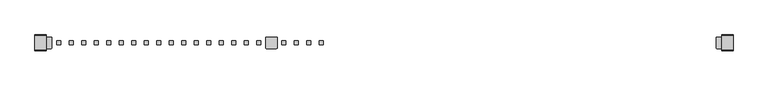
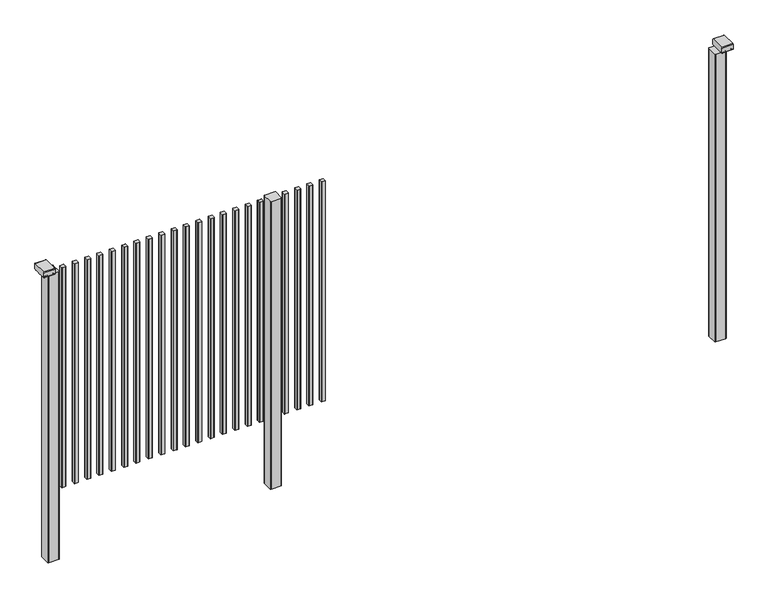
"""IFC4 building model written with IfcOpenShell, lengths in millimetres: railing geometry."""

import ifcopenshell
import ifcopenshell.guid

model = None  # the IFC model being written
_history = None  # IfcOwnerHistory: only IFC2X3 demands one
_inside = {}  # id of a spatial element -> (the spatial element, [elements in it])
_under = {}  # id of a project, library or spatial element -> (it, [spatial elements below it])
_declared = {}  # id of a project -> (the project, [libraries it declares])
_typed = {}  # id of a type object -> (the type object, [elements of that type])
_made_of = {}  # id of a material, layer set ... -> (it, [elements and type objects made of it])


def new_model(schema):
    """Start an empty IFC model of exactly this schema.

    Asked for "IFC4X3", IfcOpenShell would pick the latest addendum, in which some entities
    have other attributes; the version numbers below select the first issue.
    IFC2X3 requires an IfcOwnerHistory on every rooted entity: one is made here for all.
    """
    global model, _history
    if schema == "IFC4X3":
        model = ifcopenshell.file(schema_version=(4, 3, 0, 0))
    else:
        model = ifcopenshell.file(schema=schema)
    _inside.clear()
    _under.clear()
    _declared.clear()
    _typed.clear()
    _made_of.clear()
    _history = None
    if model.schema == "IFC2X3":
        org = make("IfcOrganization", Name="unknown")
        user = make(
            "IfcPersonAndOrganization",
            ThePerson=make("IfcPerson", FamilyName="unknown"),
            TheOrganization=org,
        )
        app = make(
            "IfcApplication",
            ApplicationDeveloper=org,
            Version="unknown",
            ApplicationFullName="unknown",
            ApplicationIdentifier="unknown",
        )
        _history = make(
            "IfcOwnerHistory",
            OwningUser=user,
            OwningApplication=app,
            ChangeAction="ADDED",
            CreationDate=0,
        )
    return model


def make(cls, **values):
    """One entity of the class cls with the attributes given. An attribute that is None is left unset."""
    return model.create_entity(
        cls, **{name: value for name, value in values.items() if value is not None}
    )


def rooted(cls, **values):
    """An entity with a GlobalId (a new one), such as an element, a storey or a relation."""
    return make(cls, GlobalId=ifcopenshell.guid.new(), OwnerHistory=_history, **values)


def si_unit(unit_type, name, prefix=None):
    """IfcSIUnit, for example si_unit("LENGTHUNIT", "METRE", prefix="MILLI")."""
    return make("IfcSIUnit", UnitType=unit_type, Prefix=prefix, Name=name)


def assignment(units):
    """IfcUnitAssignment: the units of a project."""
    return None if units is None else make("IfcUnitAssignment", Units=units)


def point(xyz):
    """IfcCartesianPoint."""
    return None if xyz is None else make("IfcCartesianPoint", Coordinates=xyz)


def direction(xyz):
    """IfcDirection."""
    return None if xyz is None else make("IfcDirection", DirectionRatios=xyz)


def frame(location, z_axis=None, x_axis=None):
    """IfcAxis2Placement3D, a coordinate frame: its origin and axes. An axis left out is left unset."""
    return make(
        "IfcAxis2Placement3D",
        Location=point(location),
        Axis=direction(z_axis),
        RefDirection=direction(x_axis),
    )


def frame_2d(location, x_axis=None):
    """IfcAxis2Placement2D, a coordinate frame in the plane: its origin and x axis."""
    return make(
        "IfcAxis2Placement2D", Location=point(location), RefDirection=direction(x_axis)
    )


def origin():
    """The frame at (0, 0, 0) with its axes left unset."""
    return frame((0.0, 0.0, 0.0))


def place(relative_to, where):
    """IfcLocalPlacement: puts the frame where relative to a parent placement (None: the world)."""
    return make(
        "IfcLocalPlacement", PlacementRelTo=relative_to, RelativePlacement=where
    )


def context(
    kind, dimensions, precision=None, world=None, true_north=None, identifier=None
):
    """IfcGeometricRepresentationContext, for example the 3D "Model" context."""
    return make(
        "IfcGeometricRepresentationContext",
        ContextIdentifier=identifier,
        ContextType=kind,
        CoordinateSpaceDimension=dimensions,
        Precision=precision,
        WorldCoordinateSystem=world,
        TrueNorth=true_north,
    )


def project(units=None, contexts=None):
    """IfcProject with its units and contexts."""
    return rooted(
        "IfcProject",
        Name="project",
        RepresentationContexts=contexts,
        UnitsInContext=assignment(units),
    )


def spatial(cls, under=None, at=None, **own):
    """A site, building, storey or space (cls), placed at a placement, below another one or the project."""
    s = rooted(cls, ObjectPlacement=at, **own)
    if under is not None:
        _under.setdefault(under.id(), (under, []))[1].append(s)
    return s


def polyline(points):
    """IfcPolyline through the points."""
    return make("IfcPolyline", Points=[point(p) for p in points])


def circle_curve(where, radius):
    """IfcCircle in the frame where."""
    return make("IfcCircle", Position=where, Radius=radius)


def trimmed(basis, trim1, trim2, sense, master):
    """IfcTrimmedCurve: the piece of a basis curve between two trims."""
    return make(
        "IfcTrimmedCurve",
        BasisCurve=basis,
        Trim1=trim1,
        Trim2=trim2,
        SenseAgreement=sense,
        MasterRepresentation=master,
    )


def segment(curve, same_sense, transition):
    """IfcCompositeCurveSegment."""
    return make(
        "IfcCompositeCurveSegment",
        Transition=transition,
        SameSense=same_sense,
        ParentCurve=curve,
    )


def composite_curve(segments, self_intersect=None):
    """IfcCompositeCurve: segments joined end to end."""
    return make("IfcCompositeCurve", Segments=segments, SelfIntersect=self_intersect)


def outline(outer, holes=None, kind="AREA"):
    """IfcArbitraryClosedProfileDef: a profile drawn as a closed curve; with holes, ...WithVoids."""
    if holes is None:
        return make("IfcArbitraryClosedProfileDef", ProfileType=kind, OuterCurve=outer)
    return make(
        "IfcArbitraryProfileDefWithVoids",
        ProfileType=kind,
        OuterCurve=outer,
        InnerCurves=holes,
    )


def extrude(swept, where, along, depth):
    """IfcExtrudedAreaSolid: the profile swept, set in the frame where, extruded along a direction by depth."""
    return make(
        "IfcExtrudedAreaSolid",
        SweptArea=swept,
        Position=where,
        ExtrudedDirection=direction(along),
        Depth=depth,
    )


def shape(context_of_items, identifier, shape_type, items):
    """IfcShapeRepresentation: the items that make up one representation, for example the "Body"."""
    return make(
        "IfcShapeRepresentation",
        ContextOfItems=context_of_items,
        RepresentationIdentifier=identifier,
        RepresentationType=shape_type,
        Items=items,
    )


def source(mapping_origin, context_of_items, identifier, shape_type, items):
    """IfcRepresentationMap: a shape defined once, which mapped items show again and again."""
    return make(
        "IfcRepresentationMap",
        MappingOrigin=mapping_origin,
        MappedRepresentation=shape(context_of_items, identifier, shape_type, items),
    )


def transform(
    local_origin,
    x_axis=None,
    y_axis=None,
    z_axis=None,
    scale=None,
    scale2=None,
    scale3=None,
    uniform=True,
):
    """IfcCartesianTransformationOperator3D, or its non-uniform kind. x_axis, y_axis, z_axis: its Axis1, 2, 3."""
    if uniform:
        return make(
            "IfcCartesianTransformationOperator3D",
            Axis1=direction(x_axis),
            Axis2=direction(y_axis),
            LocalOrigin=point(local_origin),
            Scale=scale,
            Axis3=direction(z_axis),
        )
    return make(
        "IfcCartesianTransformationOperator3DnonUniform",
        Axis1=direction(x_axis),
        Axis2=direction(y_axis),
        LocalOrigin=point(local_origin),
        Scale=scale,
        Axis3=direction(z_axis),
        Scale2=scale2,
        Scale3=scale3,
    )


def mapped(mapping_source, mapping_target):
    """IfcMappedItem: shows the shape of a source again, moved by a transform."""
    return make(
        "IfcMappedItem", MappingSource=mapping_source, MappingTarget=mapping_target
    )


def made_of(thing, what):
    """Note that an element or type object is made of a material, layer set ...; save() writes the relation."""
    if what is not None:
        _made_of.setdefault(what.id(), (what, []))[1].append(thing)
    return thing


def element(
    cls,
    number,
    at=None,
    inside=None,
    cuts=None,
    type_object=None,
    material=None,
    context=None,
    identifier="Body",
    shape_type=None,
    held_by="IfcProductDefinitionShape",
    body=None,
    shapes=None,
    **own,
):
    """One element of the class cls, such as IfcWall. Its Tag is "e" and its number.

    at: its placement. inside: the storey or other place that contains it. cuts: it is an
    opening in that element (IfcRelVoidsElement). A single representation is given by context,
    identifier, shape_type and body (its items); several are given by shapes. held_by: the class
    of the entity that holds the representations. save() writes the other relations.
    """
    e = rooted(cls, Tag="e%d" % number, ObjectPlacement=at, **own)
    if body is not None:
        shapes = [shape(context, identifier, shape_type, body)]
    if shapes is not None:
        e.Representation = make(held_by, Representations=shapes)
    if inside is not None:
        _inside.setdefault(inside.id(), (inside, []))[1].append(e)
    if cuts is not None:
        rooted(
            "IfcRelVoidsElement", RelatingBuildingElement=cuts, RelatedOpeningElement=e
        )
    if type_object is not None:
        _typed.setdefault(type_object.id(), (type_object, []))[1].append(e)
    return made_of(e, material)


def aggregate(whole, parts):
    """IfcRelAggregates: a whole, such as a stair, and the parts it consists of."""
    return rooted("IfcRelAggregates", RelatingObject=whole, RelatedObjects=parts)


def save(model, path):
    """Write the relations noted so far, then the file.

    IfcRelAggregates (storeys below a building ...), IfcRelContainedInSpatialStructure (elements
    in a storey), IfcRelDefinesByType, IfcRelAssociatesMaterial and IfcRelDeclares: one each for
    every whole, place, type object, material and project.
    """
    for whole, parts in _under.values():
        aggregate(whole, parts)
    for where, things in _inside.values():
        rooted(
            "IfcRelContainedInSpatialStructure",
            RelatedElements=things,
            RelatingStructure=where,
        )
    for kind, things in _typed.values():
        rooted("IfcRelDefinesByType", RelatedObjects=things, RelatingType=kind)
    for what, things in _made_of.values():
        rooted("IfcRelAssociatesMaterial", RelatedObjects=things, RelatingMaterial=what)
    for by, libraries in _declared.values():
        rooted("IfcRelDeclares", RelatingContext=by, RelatedDefinitions=libraries)
    model.write(path)


def railing_3bfff79e(model_context):
    return source(origin(), model_context, "Body", "SweptSolid", [
        extrude(outline(composite_curve([segment(trimmed(circle_curve(frame_2d((4926.0169133, 7868.4508236)), 1.4), [point((4924.6169133, 7868.4508236))], [point((4926.0169133, 7869.8508236))], False, "CARTESIAN"), True, "CONTINUOUS"), segment(polyline([(4926.0169133, 7869.8508236), (4941.2169163, 7869.8508236)]), True, "CONTINUOUS"), segment(trimmed(circle_curve(frame_2d((4941.2169163, 7868.4508236)), 1.4), [point((4941.2169163, 7869.8508236))], [point((4942.6169163, 7868.4508236))], False, "CARTESIAN"), True, "CONTINUOUS"), segment(polyline([(4942.6169163, 7868.4508236), (4942.6169163, 7853.2507846)]), True, "CONTINUOUS"), segment(trimmed(circle_curve(frame_2d((4941.2169163, 7853.2507846)), 1.4), [point((4942.6169163, 7853.2507846))], [point((4941.2169163, 7851.8507846))], False, "CARTESIAN"), True, "CONTINUOUS"), segment(polyline([(4941.2169163, 7851.8507846), (4926.0169133, 7851.8507846)]), True, "CONTINUOUS"), segment(trimmed(circle_curve(frame_2d((4926.0169133, 7853.2507846)), 1.4), [point((4926.0169133, 7851.8507846))], [point((4924.6169133, 7853.2507846))], False, "CARTESIAN"), True, "CONTINUOUS"), segment(polyline([(4924.6169133, 7853.2507846), (4924.6169133, 7868.4508236)]), True, "CONTINUOUS")], self_intersect=False)), frame((0.0, 0.0, 125.0), z_axis=(0.0, 0.0, 1.0), x_axis=(1.0, 0.0, 0.0)), (0.0, 0.0, 1.0), 1044.8785743),
        extrude(outline(composite_curve([segment(trimmed(circle_curve(frame_2d((4870.4613577, 7868.4508236)), 1.4), [point((4869.0613577, 7868.4508236))], [point((4870.4613577, 7869.8508236))], False, "CARTESIAN"), True, "CONTINUOUS"), segment(polyline([(4870.4613577, 7869.8508236), (4885.6613607, 7869.8508236)]), True, "CONTINUOUS"), segment(trimmed(circle_curve(frame_2d((4885.6613607, 7868.4508236)), 1.4), [point((4885.6613607, 7869.8508236))], [point((4887.0613607, 7868.4508236))], False, "CARTESIAN"), True, "CONTINUOUS"), segment(polyline([(4887.0613607, 7868.4508236), (4887.0613607, 7853.2507846)]), True, "CONTINUOUS"), segment(trimmed(circle_curve(frame_2d((4885.6613607, 7853.2507846)), 1.4), [point((4887.0613607, 7853.2507846))], [point((4885.6613607, 7851.8507846))], False, "CARTESIAN"), True, "CONTINUOUS"), segment(polyline([(4885.6613607, 7851.8507846), (4870.4613577, 7851.8507846)]), True, "CONTINUOUS"), segment(trimmed(circle_curve(frame_2d((4870.4613577, 7853.2507846)), 1.4), [point((4870.4613577, 7851.8507846))], [point((4869.0613577, 7853.2507846))], False, "CARTESIAN"), True, "CONTINUOUS"), segment(polyline([(4869.0613577, 7853.2507846), (4869.0613577, 7868.4508236)]), True, "CONTINUOUS")], self_intersect=False)), frame((0.0, 0.0, 125.0), z_axis=(0.0, 0.0, 1.0), x_axis=(1.0, 0.0, 0.0)), (0.0, 0.0, 1.0), 1044.8785743),
        extrude(outline(composite_curve([segment(trimmed(circle_curve(frame_2d((4814.9058021, 7868.4508236)), 1.4), [point((4813.5058021, 7868.4508236))], [point((4814.9058021, 7869.8508236))], False, "CARTESIAN"), True, "CONTINUOUS"), segment(polyline([(4814.9058021, 7869.8508236), (4830.1058051, 7869.8508236)]), True, "CONTINUOUS"), segment(trimmed(circle_curve(frame_2d((4830.1058051, 7868.4508236)), 1.4), [point((4830.1058051, 7869.8508236))], [point((4831.5058051, 7868.4508236))], False, "CARTESIAN"), True, "CONTINUOUS"), segment(polyline([(4831.5058051, 7868.4508236), (4831.5058051, 7853.2507846)]), True, "CONTINUOUS"), segment(trimmed(circle_curve(frame_2d((4830.1058051, 7853.2507846)), 1.4), [point((4831.5058051, 7853.2507846))], [point((4830.1058051, 7851.8507846))], False, "CARTESIAN"), True, "CONTINUOUS"), segment(polyline([(4830.1058051, 7851.8507846), (4814.9058021, 7851.8507846)]), True, "CONTINUOUS"), segment(trimmed(circle_curve(frame_2d((4814.9058021, 7853.2507846)), 1.4), [point((4814.9058021, 7851.8507846))], [point((4813.5058021, 7853.2507846))], False, "CARTESIAN"), True, "CONTINUOUS"), segment(polyline([(4813.5058021, 7853.2507846), (4813.5058021, 7868.4508236)]), True, "CONTINUOUS")], self_intersect=False)), frame((0.0, 0.0, 125.0), z_axis=(0.0, 0.0, 1.0), x_axis=(1.0, 0.0, 0.0)), (0.0, 0.0, 1.0), 1044.8785743),
        extrude(outline(composite_curve([segment(trimmed(circle_curve(frame_2d((4759.3502466, 7868.4508236)), 1.4), [point((4757.9502466, 7868.4508236))], [point((4759.3502466, 7869.8508236))], False, "CARTESIAN"), True, "CONTINUOUS"), segment(polyline([(4759.3502466, 7869.8508236), (4774.5502496, 7869.8508236)]), True, "CONTINUOUS"), segment(trimmed(circle_curve(frame_2d((4774.5502496, 7868.4508236)), 1.4), [point((4774.5502496, 7869.8508236))], [point((4775.9502496, 7868.4508236))], False, "CARTESIAN"), True, "CONTINUOUS"), segment(polyline([(4775.9502496, 7868.4508236), (4775.9502496, 7853.2507846)]), True, "CONTINUOUS"), segment(trimmed(circle_curve(frame_2d((4774.5502496, 7853.2507846)), 1.4), [point((4775.9502496, 7853.2507846))], [point((4774.5502496, 7851.8507846))], False, "CARTESIAN"), True, "CONTINUOUS"), segment(polyline([(4774.5502496, 7851.8507846), (4759.3502466, 7851.8507846)]), True, "CONTINUOUS"), segment(trimmed(circle_curve(frame_2d((4759.3502466, 7853.2507846)), 1.4), [point((4759.3502466, 7851.8507846))], [point((4757.9502466, 7853.2507846))], False, "CARTESIAN"), True, "CONTINUOUS"), segment(polyline([(4757.9502466, 7853.2507846), (4757.9502466, 7868.4508236)]), True, "CONTINUOUS")], self_intersect=False)), frame((0.0, 0.0, 125.0), z_axis=(0.0, 0.0, 1.0), x_axis=(1.0, 0.0, 0.0)), (0.0, 0.0, 1.0), 1044.8785743),
        extrude(outline(composite_curve([segment(trimmed(circle_curve(frame_2d((4733.7947043, 7883.2508153)), 3.0), [point((4733.794704, 7886.2508153))], [point((4736.7947043, 7883.2508156))], False, "CARTESIAN"), True, "CONTINUOUS"), segment(polyline([(4736.7947043, 7883.2508156), (4736.7947083, 7838.4507926)]), True, "CONTINUOUS"), segment(trimmed(circle_curve(frame_2d((4733.7947083, 7838.4507923)), 3.0), [point((4736.7947083, 7838.4507926))], [point((4733.7947086, 7835.4507923))], False, "CARTESIAN"), True, "CONTINUOUS"), segment(polyline([(4733.7947086, 7835.4507923), (4688.9946856, 7835.4507883)]), True, "CONTINUOUS"), segment(trimmed(circle_curve(frame_2d((4688.9946853, 7838.4507883)), 3.0), [point((4688.9946856, 7835.4507883))], [point((4685.9946853, 7838.450788))], False, "CARTESIAN"), True, "CONTINUOUS"), segment(polyline([(4685.9946853, 7838.450788), (4685.9946813, 7883.250811)]), True, "CONTINUOUS"), segment(trimmed(circle_curve(frame_2d((4688.9946813, 7883.2508113)), 3.0), [point((4685.9946813, 7883.250811))], [point((4688.994681, 7886.2508113))], False, "CARTESIAN"), True, "CONTINUOUS"), segment(polyline([(4688.994681, 7886.2508113), (4733.794704, 7886.2508153)]), True, "CONTINUOUS")], self_intersect=False)), frame((0.0, 0.0, -198.0), z_axis=(0.0, 0.0, 1.0), x_axis=(1.0, 0.0, 0.0)), (0.0, 0.0, 1.0), 1367.8785743),
        extrude(outline(composite_curve([segment(trimmed(circle_curve(frame_2d((4648.2391355, 7868.4508236)), 1.4), [point((4646.8391355, 7868.4508236))], [point((4648.2391355, 7869.8508236))], False, "CARTESIAN"), True, "CONTINUOUS"), segment(polyline([(4648.2391355, 7869.8508236), (4663.4391385, 7869.8508236)]), True, "CONTINUOUS"), segment(trimmed(circle_curve(frame_2d((4663.4391385, 7868.4508236)), 1.4), [point((4663.4391385, 7869.8508236))], [point((4664.8391385, 7868.4508236))], False, "CARTESIAN"), True, "CONTINUOUS"), segment(polyline([(4664.8391385, 7868.4508236), (4664.8391385, 7853.2507846)]), True, "CONTINUOUS"), segment(trimmed(circle_curve(frame_2d((4663.4391385, 7853.2507846)), 1.4), [point((4664.8391385, 7853.2507846))], [point((4663.4391385, 7851.8507846))], False, "CARTESIAN"), True, "CONTINUOUS"), segment(polyline([(4663.4391385, 7851.8507846), (4648.2391355, 7851.8507846)]), True, "CONTINUOUS"), segment(trimmed(circle_curve(frame_2d((4648.2391355, 7853.2507846)), 1.4), [point((4648.2391355, 7851.8507846))], [point((4646.8391355, 7853.2507846))], False, "CARTESIAN"), True, "CONTINUOUS"), segment(polyline([(4646.8391355, 7853.2507846), (4646.8391355, 7868.4508236)]), True, "CONTINUOUS")], self_intersect=False)), frame((0.0, 0.0, 125.0), z_axis=(0.0, 0.0, 1.0), x_axis=(1.0, 0.0, 0.0)), (0.0, 0.0, 1.0), 1044.8785743),
        extrude(outline(composite_curve([segment(trimmed(circle_curve(frame_2d((4592.6835799, 7868.4508236)), 1.4), [point((4591.2835799, 7868.4508236))], [point((4592.6835799, 7869.8508236))], False, "CARTESIAN"), True, "CONTINUOUS"), segment(polyline([(4592.6835799, 7869.8508236), (4607.8835829, 7869.8508236)]), True, "CONTINUOUS"), segment(trimmed(circle_curve(frame_2d((4607.8835829, 7868.4508236)), 1.4), [point((4607.8835829, 7869.8508236))], [point((4609.2835829, 7868.4508236))], False, "CARTESIAN"), True, "CONTINUOUS"), segment(polyline([(4609.2835829, 7868.4508236), (4609.2835829, 7853.2507846)]), True, "CONTINUOUS"), segment(trimmed(circle_curve(frame_2d((4607.8835829, 7853.2507846)), 1.4), [point((4609.2835829, 7853.2507846))], [point((4607.8835829, 7851.8507846))], False, "CARTESIAN"), True, "CONTINUOUS"), segment(polyline([(4607.8835829, 7851.8507846), (4592.6835799, 7851.8507846)]), True, "CONTINUOUS"), segment(trimmed(circle_curve(frame_2d((4592.6835799, 7853.2507846)), 1.4), [point((4592.6835799, 7851.8507846))], [point((4591.2835799, 7853.2507846))], False, "CARTESIAN"), True, "CONTINUOUS"), segment(polyline([(4591.2835799, 7853.2507846), (4591.2835799, 7868.4508236)]), True, "CONTINUOUS")], self_intersect=False)), frame((0.0, 0.0, 125.0), z_axis=(0.0, 0.0, 1.0), x_axis=(1.0, 0.0, 0.0)), (0.0, 0.0, 1.0), 1044.8785743),
        extrude(outline(composite_curve([segment(trimmed(circle_curve(frame_2d((4537.1280244, 7868.4508236)), 1.4), [point((4535.7280244, 7868.4508236))], [point((4537.1280244, 7869.8508236))], False, "CARTESIAN"), True, "CONTINUOUS"), segment(polyline([(4537.1280244, 7869.8508236), (4552.3280274, 7869.8508236)]), True, "CONTINUOUS"), segment(trimmed(circle_curve(frame_2d((4552.3280274, 7868.4508236)), 1.4), [point((4552.3280274, 7869.8508236))], [point((4553.7280274, 7868.4508236))], False, "CARTESIAN"), True, "CONTINUOUS"), segment(polyline([(4553.7280274, 7868.4508236), (4553.7280274, 7853.2507846)]), True, "CONTINUOUS"), segment(trimmed(circle_curve(frame_2d((4552.3280274, 7853.2507846)), 1.4), [point((4553.7280274, 7853.2507846))], [point((4552.3280274, 7851.8507846))], False, "CARTESIAN"), True, "CONTINUOUS"), segment(polyline([(4552.3280274, 7851.8507846), (4537.1280244, 7851.8507846)]), True, "CONTINUOUS"), segment(trimmed(circle_curve(frame_2d((4537.1280244, 7853.2507846)), 1.4), [point((4537.1280244, 7851.8507846))], [point((4535.7280244, 7853.2507846))], False, "CARTESIAN"), True, "CONTINUOUS"), segment(polyline([(4535.7280244, 7853.2507846), (4535.7280244, 7868.4508236)]), True, "CONTINUOUS")], self_intersect=False)), frame((0.0, 0.0, 125.0), z_axis=(0.0, 0.0, 1.0), x_axis=(1.0, 0.0, 0.0)), (0.0, 0.0, 1.0), 1044.8785743),
        extrude(outline(composite_curve([segment(trimmed(circle_curve(frame_2d((4481.5724688, 7868.4508236)), 1.4), [point((4480.1724688, 7868.4508236))], [point((4481.5724688, 7869.8508236))], False, "CARTESIAN"), True, "CONTINUOUS"), segment(polyline([(4481.5724688, 7869.8508236), (4496.7724718, 7869.8508236)]), True, "CONTINUOUS"), segment(trimmed(circle_curve(frame_2d((4496.7724718, 7868.4508236)), 1.4), [point((4496.7724718, 7869.8508236))], [point((4498.1724718, 7868.4508236))], False, "CARTESIAN"), True, "CONTINUOUS"), segment(polyline([(4498.1724718, 7868.4508236), (4498.1724718, 7853.2507846)]), True, "CONTINUOUS"), segment(trimmed(circle_curve(frame_2d((4496.7724718, 7853.2507846)), 1.4), [point((4498.1724718, 7853.2507846))], [point((4496.7724718, 7851.8507846))], False, "CARTESIAN"), True, "CONTINUOUS"), segment(polyline([(4496.7724718, 7851.8507846), (4481.5724688, 7851.8507846)]), True, "CONTINUOUS"), segment(trimmed(circle_curve(frame_2d((4481.5724688, 7853.2507846)), 1.4), [point((4481.5724688, 7851.8507846))], [point((4480.1724688, 7853.2507846))], False, "CARTESIAN"), True, "CONTINUOUS"), segment(polyline([(4480.1724688, 7853.2507846), (4480.1724688, 7868.4508236)]), True, "CONTINUOUS")], self_intersect=False)), frame((0.0, 0.0, 125.0), z_axis=(0.0, 0.0, 1.0), x_axis=(1.0, 0.0, 0.0)), (0.0, 0.0, 1.0), 1044.8785743),
        extrude(outline(composite_curve([segment(trimmed(circle_curve(frame_2d((4426.0169133, 7868.4508236)), 1.4), [point((4424.6169133, 7868.4508236))], [point((4426.0169133, 7869.8508236))], False, "CARTESIAN"), True, "CONTINUOUS"), segment(polyline([(4426.0169133, 7869.8508236), (4441.2169163, 7869.8508236)]), True, "CONTINUOUS"), segment(trimmed(circle_curve(frame_2d((4441.2169163, 7868.4508236)), 1.4), [point((4441.2169163, 7869.8508236))], [point((4442.6169163, 7868.4508236))], False, "CARTESIAN"), True, "CONTINUOUS"), segment(polyline([(4442.6169163, 7868.4508236), (4442.6169163, 7853.2507846)]), True, "CONTINUOUS"), segment(trimmed(circle_curve(frame_2d((4441.2169163, 7853.2507846)), 1.4), [point((4442.6169163, 7853.2507846))], [point((4441.2169163, 7851.8507846))], False, "CARTESIAN"), True, "CONTINUOUS"), segment(polyline([(4441.2169163, 7851.8507846), (4426.0169133, 7851.8507846)]), True, "CONTINUOUS"), segment(trimmed(circle_curve(frame_2d((4426.0169133, 7853.2507846)), 1.4), [point((4426.0169133, 7851.8507846))], [point((4424.6169133, 7853.2507846))], False, "CARTESIAN"), True, "CONTINUOUS"), segment(polyline([(4424.6169133, 7853.2507846), (4424.6169133, 7868.4508236)]), True, "CONTINUOUS")], self_intersect=False)), frame((0.0, 0.0, 125.0), z_axis=(0.0, 0.0, 1.0), x_axis=(1.0, 0.0, 0.0)), (0.0, 0.0, 1.0), 1044.8785743),
        extrude(outline(composite_curve([segment(trimmed(circle_curve(frame_2d((4370.4613577, 7868.4508236)), 1.4), [point((4369.0613577, 7868.4508236))], [point((4370.4613577, 7869.8508236))], False, "CARTESIAN"), True, "CONTINUOUS"), segment(polyline([(4370.4613577, 7869.8508236), (4385.6613607, 7869.8508236)]), True, "CONTINUOUS"), segment(trimmed(circle_curve(frame_2d((4385.6613607, 7868.4508236)), 1.4), [point((4385.6613607, 7869.8508236))], [point((4387.0613607, 7868.4508236))], False, "CARTESIAN"), True, "CONTINUOUS"), segment(polyline([(4387.0613607, 7868.4508236), (4387.0613607, 7853.2507846)]), True, "CONTINUOUS"), segment(trimmed(circle_curve(frame_2d((4385.6613607, 7853.2507846)), 1.4), [point((4387.0613607, 7853.2507846))], [point((4385.6613607, 7851.8507846))], False, "CARTESIAN"), True, "CONTINUOUS"), segment(polyline([(4385.6613607, 7851.8507846), (4370.4613577, 7851.8507846)]), True, "CONTINUOUS"), segment(trimmed(circle_curve(frame_2d((4370.4613577, 7853.2507846)), 1.4), [point((4370.4613577, 7851.8507846))], [point((4369.0613577, 7853.2507846))], False, "CARTESIAN"), True, "CONTINUOUS"), segment(polyline([(4369.0613577, 7853.2507846), (4369.0613577, 7868.4508236)]), True, "CONTINUOUS")], self_intersect=False)), frame((0.0, 0.0, 125.0), z_axis=(0.0, 0.0, 1.0), x_axis=(1.0, 0.0, 0.0)), (0.0, 0.0, 1.0), 1044.8785743),
        extrude(outline(composite_curve([segment(trimmed(circle_curve(frame_2d((4314.9058021, 7868.4508236)), 1.4), [point((4313.5058021, 7868.4508236))], [point((4314.9058021, 7869.8508236))], False, "CARTESIAN"), True, "CONTINUOUS"), segment(polyline([(4314.9058021, 7869.8508236), (4330.1058051, 7869.8508236)]), True, "CONTINUOUS"), segment(trimmed(circle_curve(frame_2d((4330.1058051, 7868.4508236)), 1.4), [point((4330.1058051, 7869.8508236))], [point((4331.5058051, 7868.4508236))], False, "CARTESIAN"), True, "CONTINUOUS"), segment(polyline([(4331.5058051, 7868.4508236), (4331.5058051, 7853.2507846)]), True, "CONTINUOUS"), segment(trimmed(circle_curve(frame_2d((4330.1058051, 7853.2507846)), 1.4), [point((4331.5058051, 7853.2507846))], [point((4330.1058051, 7851.8507846))], False, "CARTESIAN"), True, "CONTINUOUS"), segment(polyline([(4330.1058051, 7851.8507846), (4314.9058021, 7851.8507846)]), True, "CONTINUOUS"), segment(trimmed(circle_curve(frame_2d((4314.9058021, 7853.2507846)), 1.4), [point((4314.9058021, 7851.8507846))], [point((4313.5058021, 7853.2507846))], False, "CARTESIAN"), True, "CONTINUOUS"), segment(polyline([(4313.5058021, 7853.2507846), (4313.5058021, 7868.4508236)]), True, "CONTINUOUS")], self_intersect=False)), frame((0.0, 0.0, 125.0), z_axis=(0.0, 0.0, 1.0), x_axis=(1.0, 0.0, 0.0)), (0.0, 0.0, 1.0), 1044.8785743),
        extrude(outline(composite_curve([segment(trimmed(circle_curve(frame_2d((4259.3502466, 7868.4508236)), 1.4), [point((4257.9502466, 7868.4508236))], [point((4259.3502466, 7869.8508236))], False, "CARTESIAN"), True, "CONTINUOUS"), segment(polyline([(4259.3502466, 7869.8508236), (4274.5502496, 7869.8508236)]), True, "CONTINUOUS"), segment(trimmed(circle_curve(frame_2d((4274.5502496, 7868.4508236)), 1.4), [point((4274.5502496, 7869.8508236))], [point((4275.9502496, 7868.4508236))], False, "CARTESIAN"), True, "CONTINUOUS"), segment(polyline([(4275.9502496, 7868.4508236), (4275.9502496, 7853.2507846)]), True, "CONTINUOUS"), segment(trimmed(circle_curve(frame_2d((4274.5502496, 7853.2507846)), 1.4), [point((4275.9502496, 7853.2507846))], [point((4274.5502496, 7851.8507846))], False, "CARTESIAN"), True, "CONTINUOUS"), segment(polyline([(4274.5502496, 7851.8507846), (4259.3502466, 7851.8507846)]), True, "CONTINUOUS"), segment(trimmed(circle_curve(frame_2d((4259.3502466, 7853.2507846)), 1.4), [point((4259.3502466, 7851.8507846))], [point((4257.9502466, 7853.2507846))], False, "CARTESIAN"), True, "CONTINUOUS"), segment(polyline([(4257.9502466, 7853.2507846), (4257.9502466, 7868.4508236)]), True, "CONTINUOUS")], self_intersect=False)), frame((0.0, 0.0, 125.0), z_axis=(0.0, 0.0, 1.0), x_axis=(1.0, 0.0, 0.0)), (0.0, 0.0, 1.0), 1044.8785743),
        extrude(outline(composite_curve([segment(trimmed(circle_curve(frame_2d((4203.794691, 7868.4508236)), 1.4), [point((4202.394691, 7868.4508236))], [point((4203.794691, 7869.8508236))], False, "CARTESIAN"), True, "CONTINUOUS"), segment(polyline([(4203.794691, 7869.8508236), (4218.994694, 7869.8508236)]), True, "CONTINUOUS"), segment(trimmed(circle_curve(frame_2d((4218.994694, 7868.4508236)), 1.4), [point((4218.994694, 7869.8508236))], [point((4220.394694, 7868.4508236))], False, "CARTESIAN"), True, "CONTINUOUS"), segment(polyline([(4220.394694, 7868.4508236), (4220.394694, 7853.2507846)]), True, "CONTINUOUS"), segment(trimmed(circle_curve(frame_2d((4218.994694, 7853.2507846)), 1.4), [point((4220.394694, 7853.2507846))], [point((4218.994694, 7851.8507846))], False, "CARTESIAN"), True, "CONTINUOUS"), segment(polyline([(4218.994694, 7851.8507846), (4203.794691, 7851.8507846)]), True, "CONTINUOUS"), segment(trimmed(circle_curve(frame_2d((4203.794691, 7853.2507846)), 1.4), [point((4203.794691, 7851.8507846))], [point((4202.394691, 7853.2507846))], False, "CARTESIAN"), True, "CONTINUOUS"), segment(polyline([(4202.394691, 7853.2507846), (4202.394691, 7868.4508236)]), True, "CONTINUOUS")], self_intersect=False)), frame((0.0, 0.0, 125.0), z_axis=(0.0, 0.0, 1.0), x_axis=(1.0, 0.0, 0.0)), (0.0, 0.0, 1.0), 1044.8785743),
        extrude(outline(composite_curve([segment(trimmed(circle_curve(frame_2d((4148.2391355, 7868.4508236)), 1.4), [point((4146.8391355, 7868.4508236))], [point((4148.2391355, 7869.8508236))], False, "CARTESIAN"), True, "CONTINUOUS"), segment(polyline([(4148.2391355, 7869.8508236), (4163.4391385, 7869.8508236)]), True, "CONTINUOUS"), segment(trimmed(circle_curve(frame_2d((4163.4391385, 7868.4508236)), 1.4), [point((4163.4391385, 7869.8508236))], [point((4164.8391385, 7868.4508236))], False, "CARTESIAN"), True, "CONTINUOUS"), segment(polyline([(4164.8391385, 7868.4508236), (4164.8391385, 7853.2507846)]), True, "CONTINUOUS"), segment(trimmed(circle_curve(frame_2d((4163.4391385, 7853.2507846)), 1.4), [point((4164.8391385, 7853.2507846))], [point((4163.4391385, 7851.8507846))], False, "CARTESIAN"), True, "CONTINUOUS"), segment(polyline([(4163.4391385, 7851.8507846), (4148.2391355, 7851.8507846)]), True, "CONTINUOUS"), segment(trimmed(circle_curve(frame_2d((4148.2391355, 7853.2507846)), 1.4), [point((4148.2391355, 7851.8507846))], [point((4146.8391355, 7853.2507846))], False, "CARTESIAN"), True, "CONTINUOUS"), segment(polyline([(4146.8391355, 7853.2507846), (4146.8391355, 7868.4508236)]), True, "CONTINUOUS")], self_intersect=False)), frame((0.0, 0.0, 125.0), z_axis=(0.0, 0.0, 1.0), x_axis=(1.0, 0.0, 0.0)), (0.0, 0.0, 1.0), 1044.8785743),
        extrude(outline(composite_curve([segment(trimmed(circle_curve(frame_2d((4092.6835799, 7868.4508236)), 1.4), [point((4091.2835799, 7868.4508236))], [point((4092.6835799, 7869.8508236))], False, "CARTESIAN"), True, "CONTINUOUS"), segment(polyline([(4092.6835799, 7869.8508236), (4107.8835829, 7869.8508236)]), True, "CONTINUOUS"), segment(trimmed(circle_curve(frame_2d((4107.8835829, 7868.4508236)), 1.4), [point((4107.8835829, 7869.8508236))], [point((4109.2835829, 7868.4508236))], False, "CARTESIAN"), True, "CONTINUOUS"), segment(polyline([(4109.2835829, 7868.4508236), (4109.2835829, 7853.2507846)]), True, "CONTINUOUS"), segment(trimmed(circle_curve(frame_2d((4107.8835829, 7853.2507846)), 1.4), [point((4109.2835829, 7853.2507846))], [point((4107.8835829, 7851.8507846))], False, "CARTESIAN"), True, "CONTINUOUS"), segment(polyline([(4107.8835829, 7851.8507846), (4092.6835799, 7851.8507846)]), True, "CONTINUOUS"), segment(trimmed(circle_curve(frame_2d((4092.6835799, 7853.2507846)), 1.4), [point((4092.6835799, 7851.8507846))], [point((4091.2835799, 7853.2507846))], False, "CARTESIAN"), True, "CONTINUOUS"), segment(polyline([(4091.2835799, 7853.2507846), (4091.2835799, 7868.4508236)]), True, "CONTINUOUS")], self_intersect=False)), frame((0.0, 0.0, 125.0), z_axis=(0.0, 0.0, 1.0), x_axis=(1.0, 0.0, 0.0)), (0.0, 0.0, 1.0), 1044.8785743),
        extrude(outline(composite_curve([segment(trimmed(circle_curve(frame_2d((4037.1280244, 7868.4508236)), 1.4), [point((4035.7280244, 7868.4508236))], [point((4037.1280244, 7869.8508236))], False, "CARTESIAN"), True, "CONTINUOUS"), segment(polyline([(4037.1280244, 7869.8508236), (4052.3280274, 7869.8508236)]), True, "CONTINUOUS"), segment(trimmed(circle_curve(frame_2d((4052.3280274, 7868.4508236)), 1.4), [point((4052.3280274, 7869.8508236))], [point((4053.7280274, 7868.4508236))], False, "CARTESIAN"), True, "CONTINUOUS"), segment(polyline([(4053.7280274, 7868.4508236), (4053.7280274, 7853.2507846)]), True, "CONTINUOUS"), segment(trimmed(circle_curve(frame_2d((4052.3280274, 7853.2507846)), 1.4), [point((4053.7280274, 7853.2507846))], [point((4052.3280274, 7851.8507846))], False, "CARTESIAN"), True, "CONTINUOUS"), segment(polyline([(4052.3280274, 7851.8507846), (4037.1280244, 7851.8507846)]), True, "CONTINUOUS"), segment(trimmed(circle_curve(frame_2d((4037.1280244, 7853.2507846)), 1.4), [point((4037.1280244, 7851.8507846))], [point((4035.7280244, 7853.2507846))], False, "CARTESIAN"), True, "CONTINUOUS"), segment(polyline([(4035.7280244, 7853.2507846), (4035.7280244, 7868.4508236)]), True, "CONTINUOUS")], self_intersect=False)), frame((0.0, 0.0, 125.0), z_axis=(0.0, 0.0, 1.0), x_axis=(1.0, 0.0, 0.0)), (0.0, 0.0, 1.0), 1044.8785743),
        extrude(outline(composite_curve([segment(trimmed(circle_curve(frame_2d((3981.5724688, 7868.4508236)), 1.4), [point((3980.1724688, 7868.4508236))], [point((3981.5724688, 7869.8508236))], False, "CARTESIAN"), True, "CONTINUOUS"), segment(polyline([(3981.5724688, 7869.8508236), (3996.7724718, 7869.8508236)]), True, "CONTINUOUS"), segment(trimmed(circle_curve(frame_2d((3996.7724718, 7868.4508236)), 1.4), [point((3996.7724718, 7869.8508236))], [point((3998.1724718, 7868.4508236))], False, "CARTESIAN"), True, "CONTINUOUS"), segment(polyline([(3998.1724718, 7868.4508236), (3998.1724718, 7853.2507846)]), True, "CONTINUOUS"), segment(trimmed(circle_curve(frame_2d((3996.7724718, 7853.2507846)), 1.4), [point((3998.1724718, 7853.2507846))], [point((3996.7724718, 7851.8507846))], False, "CARTESIAN"), True, "CONTINUOUS"), segment(polyline([(3996.7724718, 7851.8507846), (3981.5724688, 7851.8507846)]), True, "CONTINUOUS"), segment(trimmed(circle_curve(frame_2d((3981.5724688, 7853.2507846)), 1.4), [point((3981.5724688, 7851.8507846))], [point((3980.1724688, 7853.2507846))], False, "CARTESIAN"), True, "CONTINUOUS"), segment(polyline([(3980.1724688, 7853.2507846), (3980.1724688, 7868.4508236)]), True, "CONTINUOUS")], self_intersect=False)), frame((0.0, 0.0, 125.0), z_axis=(0.0, 0.0, 1.0), x_axis=(1.0, 0.0, 0.0)), (0.0, 0.0, 1.0), 1044.8785743),
        extrude(outline(composite_curve([segment(trimmed(circle_curve(frame_2d((3926.0169133, 7868.4508236)), 1.4), [point((3924.6169133, 7868.4508236))], [point((3926.0169133, 7869.8508236))], False, "CARTESIAN"), True, "CONTINUOUS"), segment(polyline([(3926.0169133, 7869.8508236), (3941.2169163, 7869.8508236)]), True, "CONTINUOUS"), segment(trimmed(circle_curve(frame_2d((3941.2169163, 7868.4508236)), 1.4), [point((3941.2169163, 7869.8508236))], [point((3942.6169163, 7868.4508236))], False, "CARTESIAN"), True, "CONTINUOUS"), segment(polyline([(3942.6169163, 7868.4508236), (3942.6169163, 7853.2507846)]), True, "CONTINUOUS"), segment(trimmed(circle_curve(frame_2d((3941.2169163, 7853.2507846)), 1.4), [point((3942.6169163, 7853.2507846))], [point((3941.2169163, 7851.8507846))], False, "CARTESIAN"), True, "CONTINUOUS"), segment(polyline([(3941.2169163, 7851.8507846), (3926.0169133, 7851.8507846)]), True, "CONTINUOUS"), segment(trimmed(circle_curve(frame_2d((3926.0169133, 7853.2507846)), 1.4), [point((3926.0169133, 7851.8507846))], [point((3924.6169133, 7853.2507846))], False, "CARTESIAN"), True, "CONTINUOUS"), segment(polyline([(3924.6169133, 7853.2507846), (3924.6169133, 7868.4508236)]), True, "CONTINUOUS")], self_intersect=False)), frame((0.0, 0.0, 125.0), z_axis=(0.0, 0.0, 1.0), x_axis=(1.0, 0.0, 0.0)), (0.0, 0.0, 1.0), 1044.8785743),
        extrude(outline(composite_curve([segment(trimmed(circle_curve(frame_2d((3870.4613577, 7868.4508236)), 1.4), [point((3869.0613577, 7868.4508236))], [point((3870.4613577, 7869.8508236))], False, "CARTESIAN"), True, "CONTINUOUS"), segment(polyline([(3870.4613577, 7869.8508236), (3885.6613607, 7869.8508236)]), True, "CONTINUOUS"), segment(trimmed(circle_curve(frame_2d((3885.6613607, 7868.4508236)), 1.4), [point((3885.6613607, 7869.8508236))], [point((3887.0613607, 7868.4508236))], False, "CARTESIAN"), True, "CONTINUOUS"), segment(polyline([(3887.0613607, 7868.4508236), (3887.0613607, 7853.2507846)]), True, "CONTINUOUS"), segment(trimmed(circle_curve(frame_2d((3885.6613607, 7853.2507846)), 1.4), [point((3887.0613607, 7853.2507846))], [point((3885.6613607, 7851.8507846))], False, "CARTESIAN"), True, "CONTINUOUS"), segment(polyline([(3885.6613607, 7851.8507846), (3870.4613577, 7851.8507846)]), True, "CONTINUOUS"), segment(trimmed(circle_curve(frame_2d((3870.4613577, 7853.2507846)), 1.4), [point((3870.4613577, 7851.8507846))], [point((3869.0613577, 7853.2507846))], False, "CARTESIAN"), True, "CONTINUOUS"), segment(polyline([(3869.0613577, 7853.2507846), (3869.0613577, 7868.4508236)]), True, "CONTINUOUS")], self_intersect=False)), frame((0.0, 0.0, 125.0), z_axis=(0.0, 0.0, 1.0), x_axis=(1.0, 0.0, 0.0)), (0.0, 0.0, 1.0), 1044.8785743),
        extrude(outline(composite_curve([segment(trimmed(circle_curve(frame_2d((3814.9058021, 7868.4508236)), 1.4), [point((3813.5058021, 7868.4508236))], [point((3814.9058021, 7869.8508236))], False, "CARTESIAN"), True, "CONTINUOUS"), segment(polyline([(3814.9058021, 7869.8508236), (3830.1058051, 7869.8508236)]), True, "CONTINUOUS"), segment(trimmed(circle_curve(frame_2d((3830.1058051, 7868.4508236)), 1.4), [point((3830.1058051, 7869.8508236))], [point((3831.5058051, 7868.4508236))], False, "CARTESIAN"), True, "CONTINUOUS"), segment(polyline([(3831.5058051, 7868.4508236), (3831.5058051, 7853.2507846)]), True, "CONTINUOUS"), segment(trimmed(circle_curve(frame_2d((3830.1058051, 7853.2507846)), 1.4), [point((3831.5058051, 7853.2507846))], [point((3830.1058051, 7851.8507846))], False, "CARTESIAN"), True, "CONTINUOUS"), segment(polyline([(3830.1058051, 7851.8507846), (3814.9058021, 7851.8507846)]), True, "CONTINUOUS"), segment(trimmed(circle_curve(frame_2d((3814.9058021, 7853.2507846)), 1.4), [point((3814.9058021, 7851.8507846))], [point((3813.5058021, 7853.2507846))], False, "CARTESIAN"), True, "CONTINUOUS"), segment(polyline([(3813.5058021, 7853.2507846), (3813.5058021, 7868.4508236)]), True, "CONTINUOUS")], self_intersect=False)), frame((0.0, 0.0, 125.0), z_axis=(0.0, 0.0, 1.0), x_axis=(1.0, 0.0, 0.0)), (0.0, 0.0, 1.0), 1044.8785743),
        extrude(outline(composite_curve([segment(trimmed(circle_curve(frame_2d((3759.3502466, 7868.4508236)), 1.4), [point((3757.9502466, 7868.4508236))], [point((3759.3502466, 7869.8508236))], False, "CARTESIAN"), True, "CONTINUOUS"), segment(polyline([(3759.3502466, 7869.8508236), (3774.5502496, 7869.8508236)]), True, "CONTINUOUS"), segment(trimmed(circle_curve(frame_2d((3774.5502496, 7868.4508236)), 1.4), [point((3774.5502496, 7869.8508236))], [point((3775.9502496, 7868.4508236))], False, "CARTESIAN"), True, "CONTINUOUS"), segment(polyline([(3775.9502496, 7868.4508236), (3775.9502496, 7853.2507846)]), True, "CONTINUOUS"), segment(trimmed(circle_curve(frame_2d((3774.5502496, 7853.2507846)), 1.4), [point((3775.9502496, 7853.2507846))], [point((3774.5502496, 7851.8507846))], False, "CARTESIAN"), True, "CONTINUOUS"), segment(polyline([(3774.5502496, 7851.8507846), (3759.3502466, 7851.8507846)]), True, "CONTINUOUS"), segment(trimmed(circle_curve(frame_2d((3759.3502466, 7853.2507846)), 1.4), [point((3759.3502466, 7851.8507846))], [point((3757.9502466, 7853.2507846))], False, "CARTESIAN"), True, "CONTINUOUS"), segment(polyline([(3757.9502466, 7853.2507846), (3757.9502466, 7868.4508236)]), True, "CONTINUOUS")], self_intersect=False)), frame((0.0, 0.0, 125.0), z_axis=(0.0, 0.0, 1.0), x_axis=(1.0, 0.0, 0.0)), (0.0, 0.0, 1.0), 1044.8785743),
        extrude(outline(composite_curve([segment(trimmed(circle_curve(frame_2d((6733.7947043, 7883.2508153)), 3.0), [point((6733.794704, 7886.2508153))], [point((6736.7947043, 7883.2508156))], False, "CARTESIAN"), True, "CONTINUOUS"), segment(polyline([(6736.7947043, 7883.2508156), (6736.7947083, 7838.4507926)]), True, "CONTINUOUS"), segment(trimmed(circle_curve(frame_2d((6733.7947083, 7838.4507923)), 3.0), [point((6736.7947083, 7838.4507926))], [point((6733.7947086, 7835.4507923))], False, "CARTESIAN"), True, "CONTINUOUS"), segment(polyline([(6733.7947086, 7835.4507923), (6688.9946856, 7835.4507883)]), True, "CONTINUOUS"), segment(trimmed(circle_curve(frame_2d((6688.9946853, 7838.4507883)), 3.0), [point((6688.9946856, 7835.4507883))], [point((6685.9946853, 7838.450788))], False, "CARTESIAN"), True, "CONTINUOUS"), segment(polyline([(6685.9946853, 7838.450788), (6685.9946813, 7883.250811)]), True, "CONTINUOUS"), segment(trimmed(circle_curve(frame_2d((6688.9946813, 7883.2508113)), 3.0), [point((6685.9946813, 7883.250811))], [point((6688.994681, 7886.2508113))], False, "CARTESIAN"), True, "CONTINUOUS"), segment(polyline([(6688.994681, 7886.2508113), (6733.794704, 7886.2508153)]), True, "CONTINUOUS")], self_intersect=False)), frame((0.0, 0.0, -198.0), z_axis=(0.0, 0.0, 1.0), x_axis=(1.0, 0.0, 0.0)), (0.0, 0.0, 1.0), 1367.8785743),
        extrude(outline(composite_curve([segment(trimmed(circle_curve(frame_2d((7892.8460333, 1197.0)), 3.0), [point((7892.8460333, 1200.0))], [point((7895.8460333, 1197.0))], False, "CARTESIAN"), True, "CONTINUOUS"), segment(polyline([(7895.8460333, 1197.0), (7895.8460333, 1174.8)]), True, "CONTINUOUS"), segment(trimmed(circle_curve(frame_2d((7892.8460333, 1174.8)), 3.0), [point((7895.8460333, 1174.8))], [point((7892.8460333, 1171.8))], False, "CARTESIAN"), True, "CONTINUOUS"), segment(polyline([(7892.8460333, 1171.8), (7887.9961193, 1171.8)]), True, "CONTINUOUS"), segment(trimmed(circle_curve(frame_2d((7887.9961193, 1172.7286632)), 0.9286632), [point((7887.9961193, 1171.8))], [point((7887.0960471, 1172.5000033))], False, "CARTESIAN"), True, "CONTINUOUS"), segment(trimmed(circle_curve(frame_2d((7886.5960471, 1172.5000003)), 0.5), [point((7887.0960471, 1172.5000033))], [point((7886.5960471, 1172.0000003))], False, "CARTESIAN"), True, "CONTINUOUS"), segment(polyline([(7886.5960471, 1172.0000003), (7869.5751393, 1172.0000003)]), True, "CONTINUOUS"), segment(trimmed(circle_curve(frame_2d((7860.8508208, 1188.8785723)), 18.999998), [point((7869.5751393, 1172.0000003))], [point((7852.1265024, 1172.0000003))], False, "CARTESIAN"), True, "CONTINUOUS"), segment(polyline([(7852.1265024, 1172.0000003), (7835.0960436, 1172.0000003)]), True, "CONTINUOUS"), segment(trimmed(circle_curve(frame_2d((7835.0960436, 1172.5000003)), 0.5), [point((7835.0960436, 1172.0000003))], [point((7834.5960436, 1172.5000033))], False, "CARTESIAN"), True, "CONTINUOUS"), segment(trimmed(circle_curve(frame_2d((7833.6961402, 1172.7284461)), 0.9284461), [point((7834.5960436, 1172.5000033))], [point((7833.6961402, 1171.8))], False, "CARTESIAN"), True, "CONTINUOUS"), segment(polyline([(7833.6961402, 1171.8), (7828.8460333, 1171.8)]), True, "CONTINUOUS"), segment(trimmed(circle_curve(frame_2d((7828.8460333, 1174.8)), 3.0), [point((7828.8460333, 1171.8))], [point((7825.8460333, 1174.8))], False, "CARTESIAN"), True, "CONTINUOUS"), segment(polyline([(7825.8460333, 1174.8), (7825.8460333, 1197.0)]), True, "CONTINUOUS"), segment(trimmed(circle_curve(frame_2d((7828.8460333, 1197.0)), 3.0), [point((7825.8460333, 1197.0))], [point((7828.8460333, 1200.0))], False, "CARTESIAN"), True, "CONTINUOUS"), segment(polyline([(7828.8460333, 1200.0), (7892.8460333, 1200.0)]), True, "CONTINUOUS")], self_intersect=False)), frame((6711.3946838, 0.0, 0.0), z_axis=(1.0, 0.0, 0.0), x_axis=(0.0, 1.0, 0.0)), (0.0, 0.0, 1.0), 50.0),
        extrude(outline(composite_curve([segment(trimmed(circle_curve(frame_2d((3733.7947043, 7883.2508153)), 3.0), [point((3733.794704, 7886.2508153))], [point((3736.7947043, 7883.2508156))], False, "CARTESIAN"), True, "CONTINUOUS"), segment(polyline([(3736.7947043, 7883.2508156), (3736.7947083, 7838.4507926)]), True, "CONTINUOUS"), segment(trimmed(circle_curve(frame_2d((3733.7947083, 7838.4507923)), 3.0), [point((3736.7947083, 7838.4507926))], [point((3733.7947086, 7835.4507923))], False, "CARTESIAN"), True, "CONTINUOUS"), segment(polyline([(3733.7947086, 7835.4507923), (3688.9946856, 7835.4507883)]), True, "CONTINUOUS"), segment(trimmed(circle_curve(frame_2d((3688.9946853, 7838.4507883)), 3.0), [point((3688.9946856, 7835.4507883))], [point((3685.9946853, 7838.450788))], False, "CARTESIAN"), True, "CONTINUOUS"), segment(polyline([(3685.9946853, 7838.450788), (3685.9946813, 7883.250811)]), True, "CONTINUOUS"), segment(trimmed(circle_curve(frame_2d((3688.9946813, 7883.2508113)), 3.0), [point((3685.9946813, 7883.250811))], [point((3688.994681, 7886.2508113))], False, "CARTESIAN"), True, "CONTINUOUS"), segment(polyline([(3688.994681, 7886.2508113), (3733.794704, 7886.2508153)]), True, "CONTINUOUS")], self_intersect=False)), frame((0.0, 0.0, -198.0), z_axis=(0.0, 0.0, 1.0), x_axis=(1.0, 0.0, 0.0)), (0.0, 0.0, 1.0), 1367.8785743),
        extrude(outline(composite_curve([segment(trimmed(circle_curve(frame_2d((7892.8460333, 1197.0)), 3.0), [point((7892.8460333, 1200.0))], [point((7895.8460333, 1197.0))], False, "CARTESIAN"), True, "CONTINUOUS"), segment(polyline([(7895.8460333, 1197.0), (7895.8460333, 1174.8)]), True, "CONTINUOUS"), segment(trimmed(circle_curve(frame_2d((7892.8460333, 1174.8)), 3.0), [point((7895.8460333, 1174.8))], [point((7892.8460333, 1171.8))], False, "CARTESIAN"), True, "CONTINUOUS"), segment(polyline([(7892.8460333, 1171.8), (7887.9961193, 1171.8)]), True, "CONTINUOUS"), segment(trimmed(circle_curve(frame_2d((7887.9961193, 1172.7286632)), 0.9286632), [point((7887.9961193, 1171.8))], [point((7887.0960471, 1172.5000033))], False, "CARTESIAN"), True, "CONTINUOUS"), segment(trimmed(circle_curve(frame_2d((7886.5960471, 1172.5000003)), 0.5), [point((7887.0960471, 1172.5000033))], [point((7886.5960471, 1172.0000003))], False, "CARTESIAN"), True, "CONTINUOUS"), segment(polyline([(7886.5960471, 1172.0000003), (7869.5751393, 1172.0000003)]), True, "CONTINUOUS"), segment(trimmed(circle_curve(frame_2d((7860.8508208, 1188.8785723)), 18.999998), [point((7869.5751393, 1172.0000003))], [point((7852.1265024, 1172.0000003))], False, "CARTESIAN"), True, "CONTINUOUS"), segment(polyline([(7852.1265024, 1172.0000003), (7835.0960436, 1172.0000003)]), True, "CONTINUOUS"), segment(trimmed(circle_curve(frame_2d((7835.0960436, 1172.5000003)), 0.5), [point((7835.0960436, 1172.0000003))], [point((7834.5960436, 1172.5000033))], False, "CARTESIAN"), True, "CONTINUOUS"), segment(trimmed(circle_curve(frame_2d((7833.6961402, 1172.7284461)), 0.9284461), [point((7834.5960436, 1172.5000033))], [point((7833.6961402, 1171.8))], False, "CARTESIAN"), True, "CONTINUOUS"), segment(polyline([(7833.6961402, 1171.8), (7828.8460333, 1171.8)]), True, "CONTINUOUS"), segment(trimmed(circle_curve(frame_2d((7828.8460333, 1174.8)), 3.0), [point((7828.8460333, 1171.8))], [point((7825.8460333, 1174.8))], False, "CARTESIAN"), True, "CONTINUOUS"), segment(polyline([(7825.8460333, 1174.8), (7825.8460333, 1197.0)]), True, "CONTINUOUS"), segment(trimmed(circle_curve(frame_2d((7828.8460333, 1197.0)), 3.0), [point((7825.8460333, 1197.0))], [point((7828.8460333, 1200.0))], False, "CARTESIAN"), True, "CONTINUOUS"), segment(polyline([(7828.8460333, 1200.0), (7892.8460333, 1200.0)]), True, "CONTINUOUS")], self_intersect=False)), frame((3661.3946838, 0.0, 0.0), z_axis=(1.0, 0.0, 0.0), x_axis=(0.0, 1.0, 0.0)), (0.0, 0.0, 1.0), 50.0),
    ])


if __name__ == "__main__":
    model = new_model("IFC4")
    model_context = context("Model", 3, world=origin())
    ifc_project = project(units=[si_unit("LENGTHUNIT", "METRE", prefix="MILLI")], contexts=[model_context])
    site = spatial("IfcSite", under=ifc_project)
    building = spatial("IfcBuilding", under=site)
    placement = place(None, origin())
    railing_shape = railing_3bfff79e(model_context)
    element("IfcRailing", 1, at=placement, inside=building, context=model_context, shape_type="MappedRepresentation", body=[
        mapped(railing_shape, transform((0.0, 0.0, 0.0), x_axis=(1.0, 0.0, 0.0), y_axis=(0.0, 1.0, 0.0), z_axis=(0.0, 0.0, 1.0))),
    ])
    save(model, "model.ifc")
